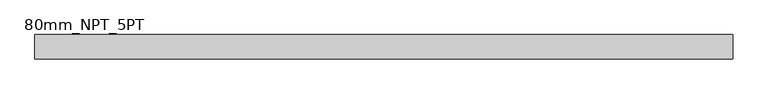
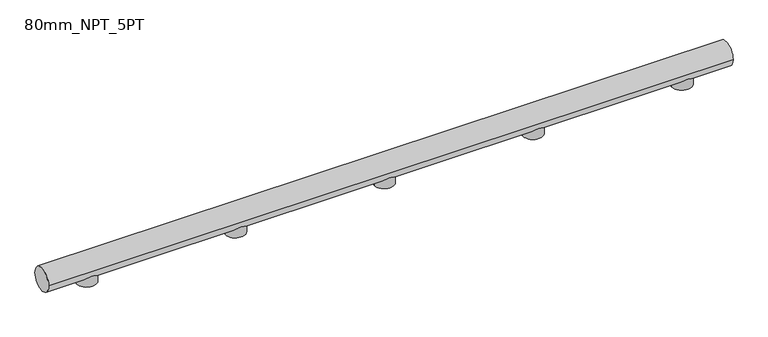
"""IFC4 building model written with IfcOpenShell, lengths in millimetres: proxy geometry, 80mm_NPT_5PT."""

from ifc_helpers import new_model, si_unit, point, frame, frame_2d, origin, place, context, project, spatial, circle_curve, trimmed, segment, composite_curve, outline, extrude, source, transform, mapped, element, save


def proxy_80mm_npt_5pt_1c19a14c(model_context):
    return source(origin(), model_context, "Body", "SweptSolid", [
        extrude(outline(composite_curve([segment(trimmed(circle_curve(frame_2d((1750.0, 0.0)), 33.5), [point((1716.5, 0.0))], [point((1783.5, 0.0))], False, "CARTESIAN"), True, "CONTINUOUS"), segment(trimmed(circle_curve(frame_2d((1750.0, 0.0)), 33.5), [point((1783.5, 0.0))], [point((1716.5, 0.0))], False, "CARTESIAN"), True, "CONTINUOUS")], self_intersect=False)), frame((0.0, 0.0, -17.10201), z_axis=(0.0, 0.0, 1.0), x_axis=(1.0, 0.0, 0.0)), (0.0, 0.0, 1.0), 67.4327816),
        extrude(outline(composite_curve([segment(trimmed(circle_curve(frame_2d((1250.0, 0.0)), 33.5), [point((1216.5, 0.0))], [point((1283.5, 0.0))], False, "CARTESIAN"), True, "CONTINUOUS"), segment(trimmed(circle_curve(frame_2d((1250.0, 0.0)), 33.5), [point((1283.5, 0.0))], [point((1216.5, 0.0))], False, "CARTESIAN"), True, "CONTINUOUS")], self_intersect=False)), frame((0.0, 0.0, -17.10201), z_axis=(0.0, 0.0, 1.0), x_axis=(1.0, 0.0, 0.0)), (0.0, 0.0, 1.0), 67.4327816),
        extrude(outline(composite_curve([segment(trimmed(circle_curve(frame_2d((750.0, 0.0)), 33.5), [point((716.5, 0.0))], [point((783.5, 0.0))], False, "CARTESIAN"), True, "CONTINUOUS"), segment(trimmed(circle_curve(frame_2d((750.0, 0.0)), 33.5), [point((783.5, 0.0))], [point((716.5, 0.0))], False, "CARTESIAN"), True, "CONTINUOUS")], self_intersect=False)), frame((0.0, 0.0, -17.10201), z_axis=(0.0, 0.0, 1.0), x_axis=(1.0, 0.0, 0.0)), (0.0, 0.0, 1.0), 67.4327816),
        extrude(outline(composite_curve([segment(trimmed(circle_curve(frame_2d((250.0, 0.0)), 33.5), [point((216.5, 0.0))], [point((283.5, 0.0))], False, "CARTESIAN"), True, "CONTINUOUS"), segment(trimmed(circle_curve(frame_2d((250.0, 0.0)), 33.5), [point((283.5, 0.0))], [point((216.5, 0.0))], False, "CARTESIAN"), True, "CONTINUOUS")], self_intersect=False)), frame((0.0, 0.0, -17.10201), z_axis=(0.0, 0.0, 1.0), x_axis=(1.0, 0.0, 0.0)), (0.0, 0.0, 1.0), 67.4327816),
        extrude(outline(composite_curve([segment(trimmed(circle_curve(frame_2d((-250.0, 0.0)), 33.5), [point((-283.5, 0.0))], [point((-216.5, 0.0))], False, "CARTESIAN"), True, "CONTINUOUS"), segment(trimmed(circle_curve(frame_2d((-250.0, 0.0)), 33.5), [point((-216.5, 0.0))], [point((-283.5, 0.0))], False, "CARTESIAN"), True, "CONTINUOUS")], self_intersect=False)), frame((0.0, 0.0, -17.10201), z_axis=(0.0, 0.0, 1.0), x_axis=(1.0, 0.0, 0.0)), (0.0, 0.0, 1.0), 67.4327816),
        extrude(outline(composite_curve([segment(trimmed(circle_curve(frame_2d((0.0, 40.0)), 40.0), [point((-40.0, 40.0))], [point((40.0, 40.0))], False, "CARTESIAN"), True, "CONTINUOUS"), segment(trimmed(circle_curve(frame_2d((0.0, 40.0)), 40.0), [point((40.0, 40.0))], [point((-40.0, 40.0))], False, "CARTESIAN"), True, "CONTINUOUS")], self_intersect=False)), frame((-400.0, 0.0, 0.0), z_axis=(1.0, 0.0, 0.0), x_axis=(0.0, 1.0, 0.0)), (0.0, 0.0, 1.0), 2300.0),
    ])


if __name__ == "__main__":
    model = new_model("IFC4")
    model_context = context("Model", 3, world=origin())
    ifc_project = project(units=[si_unit("LENGTHUNIT", "METRE", prefix="MILLI")], contexts=[model_context])
    site = spatial("IfcSite", under=ifc_project)
    building = spatial("IfcBuilding", under=site)
    placement = place(None, origin())
    proxy_80mm_npt_5pt_shape = proxy_80mm_npt_5pt_1c19a14c(model_context)
    element("IfcBuildingElementProxy", 1, Name="80mm_NPT_5PT", ObjectType="80mm_NPT_5PT", at=placement, inside=building, context=model_context, shape_type="MappedRepresentation", body=[
        mapped(proxy_80mm_npt_5pt_shape, transform((0.0, 0.0, 0.0), x_axis=(1.0, 0.0, 0.0), y_axis=(0.0, 1.0, 0.0), z_axis=(0.0, 0.0, 1.0))),
    ])
    save(model, "model.ifc")
